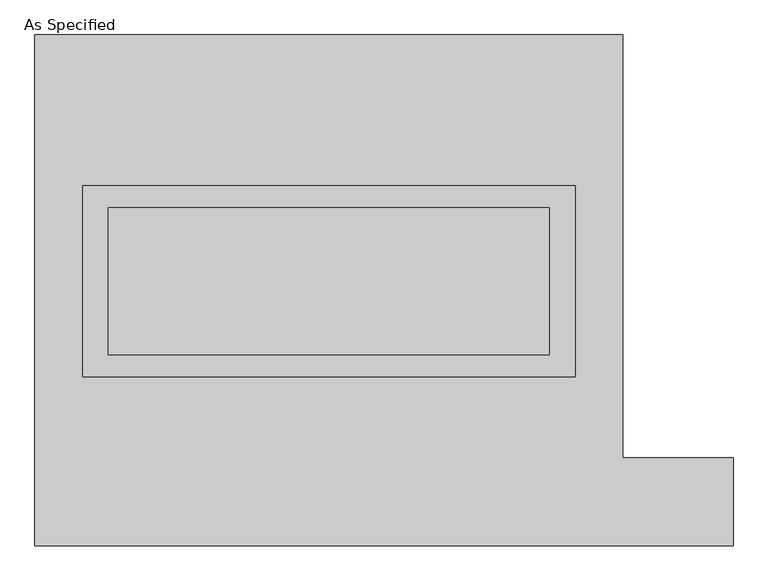
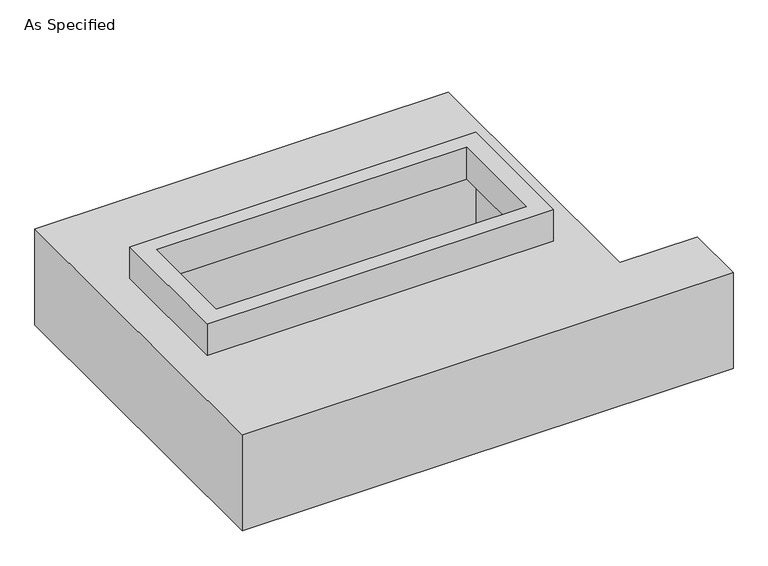
"""IFC4 building model written with IfcOpenShell, lengths in millimetres: proxy geometry, As Specified."""

import ifcopenshell
import ifcopenshell.guid

model = None  # the IFC model being written
_history = None  # IfcOwnerHistory: only IFC2X3 demands one
_inside = {}  # id of a spatial element -> (the spatial element, [elements in it])
_under = {}  # id of a project, library or spatial element -> (it, [spatial elements below it])
_declared = {}  # id of a project -> (the project, [libraries it declares])
_typed = {}  # id of a type object -> (the type object, [elements of that type])
_made_of = {}  # id of a material, layer set ... -> (it, [elements and type objects made of it])


def new_model(schema):
    """Start an empty IFC model of exactly this schema.

    Asked for "IFC4X3", IfcOpenShell would pick the latest addendum, in which some entities
    have other attributes; the version numbers below select the first issue.
    IFC2X3 requires an IfcOwnerHistory on every rooted entity: one is made here for all.
    """
    global model, _history
    if schema == "IFC4X3":
        model = ifcopenshell.file(schema_version=(4, 3, 0, 0))
    else:
        model = ifcopenshell.file(schema=schema)
    _inside.clear()
    _under.clear()
    _declared.clear()
    _typed.clear()
    _made_of.clear()
    _history = None
    if model.schema == "IFC2X3":
        org = make("IfcOrganization", Name="unknown")
        user = make(
            "IfcPersonAndOrganization",
            ThePerson=make("IfcPerson", FamilyName="unknown"),
            TheOrganization=org,
        )
        app = make(
            "IfcApplication",
            ApplicationDeveloper=org,
            Version="unknown",
            ApplicationFullName="unknown",
            ApplicationIdentifier="unknown",
        )
        _history = make(
            "IfcOwnerHistory",
            OwningUser=user,
            OwningApplication=app,
            ChangeAction="ADDED",
            CreationDate=0,
        )
    return model


def make(cls, **values):
    """One entity of the class cls with the attributes given. An attribute that is None is left unset."""
    return model.create_entity(
        cls, **{name: value for name, value in values.items() if value is not None}
    )


def rooted(cls, **values):
    """An entity with a GlobalId (a new one), such as an element, a storey or a relation."""
    return make(cls, GlobalId=ifcopenshell.guid.new(), OwnerHistory=_history, **values)


def si_unit(unit_type, name, prefix=None):
    """IfcSIUnit, for example si_unit("LENGTHUNIT", "METRE", prefix="MILLI")."""
    return make("IfcSIUnit", UnitType=unit_type, Prefix=prefix, Name=name)


def assignment(units):
    """IfcUnitAssignment: the units of a project."""
    return None if units is None else make("IfcUnitAssignment", Units=units)


def point(xyz):
    """IfcCartesianPoint."""
    return None if xyz is None else make("IfcCartesianPoint", Coordinates=xyz)


def direction(xyz):
    """IfcDirection."""
    return None if xyz is None else make("IfcDirection", DirectionRatios=xyz)


def frame(location, z_axis=None, x_axis=None):
    """IfcAxis2Placement3D, a coordinate frame: its origin and axes. An axis left out is left unset."""
    return make(
        "IfcAxis2Placement3D",
        Location=point(location),
        Axis=direction(z_axis),
        RefDirection=direction(x_axis),
    )


def origin():
    """The frame at (0, 0, 0) with its axes left unset."""
    return frame((0.0, 0.0, 0.0))


def place(relative_to, where):
    """IfcLocalPlacement: puts the frame where relative to a parent placement (None: the world)."""
    return make(
        "IfcLocalPlacement", PlacementRelTo=relative_to, RelativePlacement=where
    )


def context(
    kind, dimensions, precision=None, world=None, true_north=None, identifier=None
):
    """IfcGeometricRepresentationContext, for example the 3D "Model" context."""
    return make(
        "IfcGeometricRepresentationContext",
        ContextIdentifier=identifier,
        ContextType=kind,
        CoordinateSpaceDimension=dimensions,
        Precision=precision,
        WorldCoordinateSystem=world,
        TrueNorth=true_north,
    )


def project(units=None, contexts=None):
    """IfcProject with its units and contexts."""
    return rooted(
        "IfcProject",
        Name="project",
        RepresentationContexts=contexts,
        UnitsInContext=assignment(units),
    )


def spatial(cls, under=None, at=None, **own):
    """A site, building, storey or space (cls), placed at a placement, below another one or the project."""
    s = rooted(cls, ObjectPlacement=at, **own)
    if under is not None:
        _under.setdefault(under.id(), (under, []))[1].append(s)
    return s


def polyline(points):
    """IfcPolyline through the points."""
    return make("IfcPolyline", Points=[point(p) for p in points])


def outline(outer, holes=None, kind="AREA"):
    """IfcArbitraryClosedProfileDef: a profile drawn as a closed curve; with holes, ...WithVoids."""
    if holes is None:
        return make("IfcArbitraryClosedProfileDef", ProfileType=kind, OuterCurve=outer)
    return make(
        "IfcArbitraryProfileDefWithVoids",
        ProfileType=kind,
        OuterCurve=outer,
        InnerCurves=holes,
    )


def extrude(swept, where, along, depth):
    """IfcExtrudedAreaSolid: the profile swept, set in the frame where, extruded along a direction by depth."""
    return make(
        "IfcExtrudedAreaSolid",
        SweptArea=swept,
        Position=where,
        ExtrudedDirection=direction(along),
        Depth=depth,
    )


def faces_of(points, faces, orient=None, outer=None):
    """IfcFace entities. A face is a list of loops; a loop is a list of indices into points, from 0.

    orient and outer hold one flag for each loop. By default every Orientation is true, the
    first loop of a face is its IfcFaceOuterBound and the others are IfcFaceBound.
    """
    made = []
    for i, loops in enumerate(faces):
        bounds = []
        for j, loop in enumerate(loops):
            is_outer = j == 0 if outer is None else outer[i][j]
            bounds.append(
                make(
                    "IfcFaceOuterBound" if is_outer else "IfcFaceBound",
                    Bound=make("IfcPolyLoop", Polygon=[points[k] for k in loop]),
                    Orientation=True if orient is None else orient[i][j],
                )
            )
        made.append(make("IfcFace", Bounds=bounds))
    return made


def faceted_brep(points, faces, orient=None, outer=None, voids=None):
    """IfcFacetedBrep: a solid bounded by flat faces; with voids (closed shells), ...WithVoids."""
    shared = [point(p) for p in points]
    hull = make("IfcClosedShell", CfsFaces=faces_of(shared, faces, orient, outer))
    if voids is None:
        return make("IfcFacetedBrep", Outer=hull)
    return make(
        "IfcFacetedBrepWithVoids",
        Outer=hull,
        Voids=[
            make(cls, CfsFaces=faces_of(shared, fs, o, b)) for cls, fs, o, b in voids
        ],
    )


def shape(context_of_items, identifier, shape_type, items):
    """IfcShapeRepresentation: the items that make up one representation, for example the "Body"."""
    return make(
        "IfcShapeRepresentation",
        ContextOfItems=context_of_items,
        RepresentationIdentifier=identifier,
        RepresentationType=shape_type,
        Items=items,
    )


def source(mapping_origin, context_of_items, identifier, shape_type, items):
    """IfcRepresentationMap: a shape defined once, which mapped items show again and again."""
    return make(
        "IfcRepresentationMap",
        MappingOrigin=mapping_origin,
        MappedRepresentation=shape(context_of_items, identifier, shape_type, items),
    )


def transform(
    local_origin,
    x_axis=None,
    y_axis=None,
    z_axis=None,
    scale=None,
    scale2=None,
    scale3=None,
    uniform=True,
):
    """IfcCartesianTransformationOperator3D, or its non-uniform kind. x_axis, y_axis, z_axis: its Axis1, 2, 3."""
    if uniform:
        return make(
            "IfcCartesianTransformationOperator3D",
            Axis1=direction(x_axis),
            Axis2=direction(y_axis),
            LocalOrigin=point(local_origin),
            Scale=scale,
            Axis3=direction(z_axis),
        )
    return make(
        "IfcCartesianTransformationOperator3DnonUniform",
        Axis1=direction(x_axis),
        Axis2=direction(y_axis),
        LocalOrigin=point(local_origin),
        Scale=scale,
        Axis3=direction(z_axis),
        Scale2=scale2,
        Scale3=scale3,
    )


def mapped(mapping_source, mapping_target):
    """IfcMappedItem: shows the shape of a source again, moved by a transform."""
    return make(
        "IfcMappedItem", MappingSource=mapping_source, MappingTarget=mapping_target
    )


def made_of(thing, what):
    """Note that an element or type object is made of a material, layer set ...; save() writes the relation."""
    if what is not None:
        _made_of.setdefault(what.id(), (what, []))[1].append(thing)
    return thing


def element(
    cls,
    number,
    at=None,
    inside=None,
    cuts=None,
    type_object=None,
    material=None,
    context=None,
    identifier="Body",
    shape_type=None,
    held_by="IfcProductDefinitionShape",
    body=None,
    shapes=None,
    **own,
):
    """One element of the class cls, such as IfcWall. Its Tag is "e" and its number.

    at: its placement. inside: the storey or other place that contains it. cuts: it is an
    opening in that element (IfcRelVoidsElement). A single representation is given by context,
    identifier, shape_type and body (its items); several are given by shapes. held_by: the class
    of the entity that holds the representations. save() writes the other relations.
    """
    e = rooted(cls, Tag="e%d" % number, ObjectPlacement=at, **own)
    if body is not None:
        shapes = [shape(context, identifier, shape_type, body)]
    if shapes is not None:
        e.Representation = make(held_by, Representations=shapes)
    if inside is not None:
        _inside.setdefault(inside.id(), (inside, []))[1].append(e)
    if cuts is not None:
        rooted(
            "IfcRelVoidsElement", RelatingBuildingElement=cuts, RelatedOpeningElement=e
        )
    if type_object is not None:
        _typed.setdefault(type_object.id(), (type_object, []))[1].append(e)
    return made_of(e, material)


def aggregate(whole, parts):
    """IfcRelAggregates: a whole, such as a stair, and the parts it consists of."""
    return rooted("IfcRelAggregates", RelatingObject=whole, RelatedObjects=parts)


def save(model, path):
    """Write the relations noted so far, then the file.

    IfcRelAggregates (storeys below a building ...), IfcRelContainedInSpatialStructure (elements
    in a storey), IfcRelDefinesByType, IfcRelAssociatesMaterial and IfcRelDeclares: one each for
    every whole, place, type object, material and project.
    """
    for whole, parts in _under.values():
        aggregate(whole, parts)
    for where, things in _inside.values():
        rooted(
            "IfcRelContainedInSpatialStructure",
            RelatedElements=things,
            RelatingStructure=where,
        )
    for kind, things in _typed.values():
        rooted("IfcRelDefinesByType", RelatedObjects=things, RelatingType=kind)
    for what, things in _made_of.values():
        rooted("IfcRelAssociatesMaterial", RelatedObjects=things, RelatingMaterial=what)
    for by, libraries in _declared.values():
        rooted("IfcRelDeclares", RelatingContext=by, RelatedDefinitions=libraries)
    model.write(path)


def as_specified_87ad7480(model_context):
    return source(origin(), model_context, "Body", "SolidModel", [
        extrude(outline(polyline([(850.9, 361.95), (850.9, -298.45), (-850.9, -298.45), (-850.9, 361.95), (850.9, 361.95)]), holes=[polyline([(762.0, 285.75), (-762.0, 285.75), (-762.0, -222.25), (762.0, -222.25), (762.0, 285.75)])]), frame((0.0, 0.0, -25.4), z_axis=(0.0, 0.0, 1.0), x_axis=(1.0, 0.0, 0.0)), (0.0, 0.0, 1.0), 165.1),
        faceted_brep([(-1016.0, 882.65, -523.875), (1016.0, 882.65, -523.875), (1016.0, -577.85, -523.875), (1397.0, -577.85, -523.875), (1397.0, -882.65, -523.875), (-1016.0, -882.65, -523.875), (1016.0, 882.65, -25.4), (-1016.0, 882.65, -25.4), (-1016.0, -882.65, -25.4), (1397.0, -882.65, -25.4), (1397.0, -577.85, -25.4), (1016.0, -577.85, -25.4), (-850.9, -298.45, -25.4), (-850.9, 361.95, -25.4), (850.9, 361.95, -25.4), (850.9, -298.45, -25.4), (850.9, 361.95, -498.475), (-850.9, 361.95, -498.475), (-850.9, -298.45, -498.475), (850.9, -298.45, -498.475)], [[[0, 1, 2, 3, 4, 5]], [[6, 7, 8, 9, 10, 11], [12, 13, 14, 15]], [[1, 0, 7, 6]], [[7, 0, 5, 8]], [[1, 6, 11, 2]], [[16, 17, 18, 19]], [[18, 17, 13, 12]], [[17, 16, 14, 13]], [[16, 19, 15, 14]], [[19, 18, 12, 15]], [[5, 4, 9, 8]], [[3, 2, 11, 10]], [[4, 3, 10, 9]]]),
    ])


if __name__ == "__main__":
    model = new_model("IFC4")
    model_context = context("Model", 3, world=origin())
    ifc_project = project(units=[si_unit("LENGTHUNIT", "METRE", prefix="MILLI")], contexts=[model_context])
    site = spatial("IfcSite", under=ifc_project)
    building = spatial("IfcBuilding", under=site)
    placement = place(None, origin())
    as_specified_shape = as_specified_87ad7480(model_context)
    element("IfcBuildingElementProxy", 1, Name="As Specified", ObjectType="As Specified", at=placement, inside=building, context=model_context, shape_type="MappedRepresentation", body=[
        mapped(as_specified_shape, transform((0.0, 0.0, 0.0), x_axis=(1.0, 0.0, 0.0), y_axis=(0.0, 1.0, 0.0), z_axis=(0.0, 0.0, 1.0))),
    ])
    save(model, "model.ifc")
